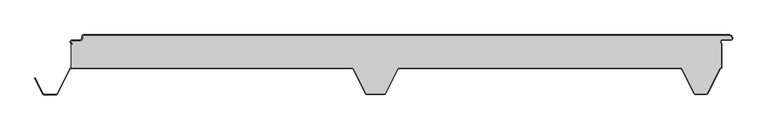
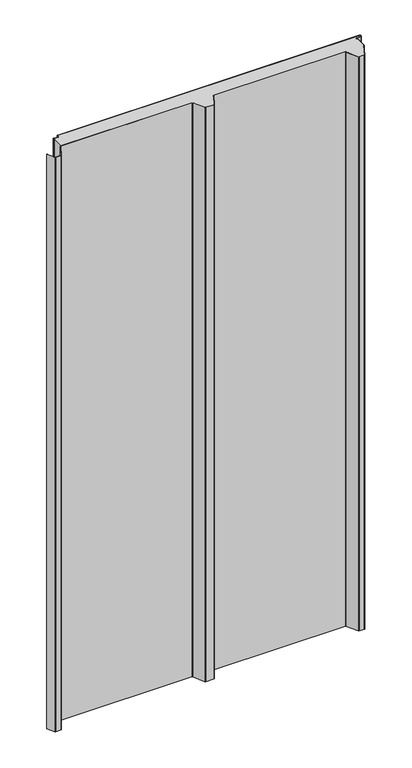
"""IFC4 building model written with IfcOpenShell, lengths in millimetres: proxy geometry."""

from ifc_helpers import new_model, si_unit, point, frame_2d, origin, origin_with_axes, place, context, project, spatial, polyline, circle_curve, trimmed, segment, composite_curve, outline, extrude, source, transform, mapped, element, save


def generic_models_4d809f44(model_context):
    return source(origin(), model_context, "Body", "SweptSolid", [
        extrude(outline(composite_curve([segment(polyline([(548.7649646, -5.5), (547.9649646, -5.5)]), True, "CONTINUOUS"), segment(trimmed(circle_curve(frame_2d((543.2649646, -5.5)), 4.7), [point((547.9649646, -5.5))], [point((543.2649646, -0.8))], True, "CARTESIAN"), True, "CONTINUOUS"), segment(polyline([(543.2649646, -0.8), (-448.7436881, -0.8)]), True, "CONTINUOUS"), segment(trimmed(circle_curve(frame_2d((-448.7436881, -2.5)), 1.7), [point((-448.7436881, -0.8))], [point((-450.4436881, -2.5))], True, "CARTESIAN"), True, "CONTINUOUS"), segment(polyline([(-450.4436881, -2.5), (-450.4436881, -5.5)]), True, "CONTINUOUS"), segment(trimmed(circle_curve(frame_2d((-453.7436881, -5.5)), 3.3), [point((-450.4436881, -5.5))], [point((-453.7436881, -8.8))], False, "CARTESIAN"), True, "CONTINUOUS"), segment(polyline([(-453.7436881, -8.8), (-466.2436881, -8.8)]), True, "CONTINUOUS"), segment(trimmed(circle_curve(frame_2d((-466.2436881, -11.0)), 2.2), [point((-466.2436881, -8.8))], [point((-466.2436881, -13.2))], True, "CARTESIAN"), True, "CONTINUOUS"), segment(polyline([(-466.2436881, -13.2), (-466.2436881, -14.0)]), True, "CONTINUOUS"), segment(trimmed(circle_curve(frame_2d((-466.2436881, -11.0)), 3.0), [point((-466.2436881, -14.0))], [point((-466.2436881, -8.0))], False, "CARTESIAN"), True, "CONTINUOUS"), segment(polyline([(-466.2436881, -8.0), (-453.7436881, -8.0)]), True, "CONTINUOUS"), segment(trimmed(circle_curve(frame_2d((-453.7436881, -5.5)), 2.5), [point((-453.7436881, -8.0))], [point((-451.2436881, -5.5))], True, "CARTESIAN"), True, "CONTINUOUS"), segment(polyline([(-451.2436881, -5.5), (-451.2436881, -2.5)]), True, "CONTINUOUS"), segment(trimmed(circle_curve(frame_2d((-448.7436881, -2.5)), 2.5), [point((-451.2436881, -2.5))], [point((-448.7436881, 0.0))], False, "CARTESIAN"), True, "CONTINUOUS"), segment(polyline([(-448.7436881, 0.0), (543.2649646, 0.0)]), True, "CONTINUOUS"), segment(trimmed(circle_curve(frame_2d((543.2649646, -5.5)), 5.5), [point((543.2649646, 0.0))], [point((548.7649646, -5.5))], False, "CARTESIAN"), True, "CONTINUOUS")], self_intersect=False)), origin_with_axes(), (0.0, 0.0, 1.0), 2000.0),
        extrude(outline(composite_curve([segment(trimmed(circle_curve(frame_2d((-466.2436881, -11.0)), 2.2), [point((-466.2436881, -13.2))], [point((-466.2436881, -8.8))], False, "CARTESIAN"), True, "CONTINUOUS"), segment(polyline([(-466.2436881, -8.8), (-453.7436881, -8.8)]), True, "CONTINUOUS"), segment(trimmed(circle_curve(frame_2d((-453.7436881, -5.5)), 3.3), [point((-453.7436881, -8.8))], [point((-450.4436881, -5.5))], True, "CARTESIAN"), True, "CONTINUOUS"), segment(polyline([(-450.4436881, -5.5), (-450.4436881, -2.5)]), True, "CONTINUOUS"), segment(trimmed(circle_curve(frame_2d((-448.7436881, -2.5)), 1.7), [point((-450.4436881, -2.5))], [point((-448.7436881, -0.8))], False, "CARTESIAN"), True, "CONTINUOUS"), segment(polyline([(-448.7436881, -0.8), (543.2649646, -0.8)]), True, "CONTINUOUS"), segment(trimmed(circle_curve(frame_2d((543.2649646, -5.5)), 4.7), [point((543.2649646, -0.8))], [point((547.9649646, -5.5))], False, "CARTESIAN"), True, "CONTINUOUS"), segment(trimmed(circle_curve(frame_2d((546.2649646, -5.5)), 1.7), [point((547.9649646, -5.5))], [point((546.2649646, -7.2))], False, "CARTESIAN"), True, "CONTINUOUS"), segment(polyline([(546.2649646, -7.2), (533.7563119, -7.2)]), True, "CONTINUOUS"), segment(trimmed(circle_curve(frame_2d((533.7563119, -11.0)), 3.8), [point((533.7563119, -7.2))], [point((531.587308, -14.1201638))], True, "CARTESIAN"), True, "CONTINUOUS"), segment(polyline([(531.587308, -14.1201638), (531.587308, -50.2829331)]), True, "CONTINUOUS"), segment(trimmed(circle_curve(frame_2d((532.387308, -54.1)), 3.9), [point((531.587308, -50.2829331))], [point((528.8995986, -52.3547542))], True, "CARTESIAN"), True, "CONTINUOUS"), segment(polyline([(528.8995986, -52.3547542), (509.9186975, -90.2221572)]), True, "CONTINUOUS"), segment(trimmed(circle_curve(frame_2d((508.577726, -89.55)), 1.5), [point((509.9186975, -90.2221572))], [point((508.577726, -91.05))], False, "CARTESIAN"), True, "CONTINUOUS"), segment(polyline([(508.577726, -91.05), (491.4395777, -91.05)]), True, "CONTINUOUS"), segment(trimmed(circle_curve(frame_2d((491.4395777, -89.55)), 1.5), [point((491.4395777, -91.05))], [point((490.097602, -90.2201502))], False, "CARTESIAN"), True, "CONTINUOUS"), segment(polyline([(490.097602, -90.2201502), (471.3684498, -52.715023)]), True, "CONTINUOUS"), segment(trimmed(circle_curve(frame_2d((468.5950334, -54.1)), 3.1), [point((471.3684498, -52.715023))], [point((468.5950334, -51.0))], True, "CARTESIAN"), True, "CONTINUOUS"), segment(polyline([(468.5950334, -51.0), (36.4222721, -51.0)]), True, "CONTINUOUS"), segment(trimmed(circle_curve(frame_2d((36.4222721, -54.1)), 3.1), [point((36.4222721, -51.0))], [point((33.6488557, -52.715023))], True, "CARTESIAN"), True, "CONTINUOUS"), segment(polyline([(33.6488557, -52.715023), (14.9197036, -90.2201502)]), True, "CONTINUOUS"), segment(trimmed(circle_curve(frame_2d((13.5777279, -89.55)), 1.5), [point((14.9197036, -90.2201502))], [point((13.5777279, -91.05))], False, "CARTESIAN"), True, "CONTINUOUS"), segment(polyline([(13.5777279, -91.05), (-13.5777279, -91.05)]), True, "CONTINUOUS"), segment(trimmed(circle_curve(frame_2d((-13.5777279, -89.55)), 1.5), [point((-13.5777279, -91.05))], [point((-14.9197036, -90.2201502))], False, "CARTESIAN"), True, "CONTINUOUS"), segment(polyline([(-14.9197036, -90.2201502), (-33.6488557, -52.715023)]), True, "CONTINUOUS"), segment(trimmed(circle_curve(frame_2d((-36.4222721, -54.1)), 3.1), [point((-33.6488557, -52.715023))], [point((-36.4222721, -51.0))], True, "CARTESIAN"), True, "CONTINUOUS"), segment(polyline([(-36.4222721, -51.0), (-467.612692, -51.0), (-467.612692, -13.6694247)]), True, "CONTINUOUS"), segment(trimmed(circle_curve(frame_2d((-466.2436881, -11.0)), 3.0), [point((-467.612692, -13.6694247))], [point((-466.2436881, -14.0))], True, "CARTESIAN"), True, "CONTINUOUS"), segment(polyline([(-466.2436881, -14.0), (-466.2436881, -13.2)]), True, "CONTINUOUS")], self_intersect=False)), origin_with_axes(), (0.0, 0.0, 1.0), 2000.0),
        extrude(outline(composite_curve([segment(polyline([(-523.5365904, -66.7174495), (-522.82087, -66.3600361), (-510.4107041, -91.2113932)]), True, "CONTINUOUS"), segment(trimmed(circle_curve(frame_2d((-509.0687284, -90.541243)), 1.5), [point((-510.4107041, -91.2113932))], [point((-509.0687284, -92.041243))], True, "CARTESIAN"), True, "CONTINUOUS"), segment(polyline([(-509.0687284, -92.041243), (-490.9312716, -92.041243)]), True, "CONTINUOUS"), segment(trimmed(circle_curve(frame_2d((-490.9312716, -90.541243)), 1.5), [point((-490.9312716, -92.041243))], [point((-489.5890038, -91.210808))], True, "CARTESIAN"), True, "CONTINUOUS"), segment(polyline([(-489.5890038, -91.210808), (-470.3867121, -52.7162325)]), True, "CONTINUOUS"), segment(trimmed(circle_curve(frame_2d((-467.612692, -54.1)), 3.1), [point((-470.3867121, -52.7162325))], [point((-467.612692, -51.0))], False, "CARTESIAN"), True, "CONTINUOUS"), segment(polyline([(-467.612692, -51.0), (-36.4222721, -51.0)]), True, "CONTINUOUS"), segment(trimmed(circle_curve(frame_2d((-36.4222721, -54.1)), 3.1), [point((-36.4222721, -51.0))], [point((-33.6488557, -52.715023))], False, "CARTESIAN"), True, "CONTINUOUS"), segment(polyline([(-33.6488557, -52.715023), (-14.9197036, -90.2201502)]), True, "CONTINUOUS"), segment(trimmed(circle_curve(frame_2d((-13.5777279, -89.55)), 1.5), [point((-14.9197036, -90.2201502))], [point((-13.5777279, -91.05))], True, "CARTESIAN"), True, "CONTINUOUS"), segment(polyline([(-13.5777279, -91.05), (13.5777279, -91.05)]), True, "CONTINUOUS"), segment(trimmed(circle_curve(frame_2d((13.5777279, -89.55)), 1.5), [point((13.5777279, -91.05))], [point((14.9197036, -90.2201502))], True, "CARTESIAN"), True, "CONTINUOUS"), segment(polyline([(14.9197036, -90.2201502), (33.6488557, -52.715023)]), True, "CONTINUOUS"), segment(trimmed(circle_curve(frame_2d((36.4222721, -54.1)), 3.1), [point((33.6488557, -52.715023))], [point((36.4222721, -51.0))], False, "CARTESIAN"), True, "CONTINUOUS"), segment(polyline([(36.4222721, -51.0), (468.5950334, -51.0)]), True, "CONTINUOUS"), segment(trimmed(circle_curve(frame_2d((468.5950334, -54.1)), 3.1), [point((468.5950334, -51.0))], [point((471.3684498, -52.715023))], False, "CARTESIAN"), True, "CONTINUOUS"), segment(polyline([(471.3684498, -52.715023), (490.097602, -90.2201502)]), True, "CONTINUOUS"), segment(trimmed(circle_curve(frame_2d((491.4395777, -89.55)), 1.5), [point((490.097602, -90.2201502))], [point((491.4395777, -91.05))], True, "CARTESIAN"), True, "CONTINUOUS"), segment(polyline([(491.4395777, -91.05), (508.577725, -91.05)]), True, "CONTINUOUS"), segment(trimmed(circle_curve(frame_2d((508.577725, -89.55)), 1.5), [point((508.577725, -91.05))], [point((509.9186965, -90.2221572))], True, "CARTESIAN"), True, "CONTINUOUS"), segment(polyline([(509.9186965, -90.2221572), (528.900782, -52.3523912)]), True, "CONTINUOUS"), segment(trimmed(circle_curve(frame_2d((532.387308, -54.1)), 3.9), [point((528.900782, -52.3523912))], [point((531.587308, -50.2829331))], False, "CARTESIAN"), True, "CONTINUOUS"), segment(polyline([(531.587308, -50.2829331), (531.587308, -14.1201638)]), True, "CONTINUOUS"), segment(trimmed(circle_curve(frame_2d((533.7563119, -11.0)), 3.8), [point((531.587308, -14.1201638))], [point((533.7563119, -7.2))], False, "CARTESIAN"), True, "CONTINUOUS"), segment(polyline([(533.7563119, -7.2), (546.2649646, -7.2)]), True, "CONTINUOUS"), segment(trimmed(circle_curve(frame_2d((546.2649646, -5.5)), 1.7), [point((546.2649646, -7.2))], [point((547.9649646, -5.5))], True, "CARTESIAN"), True, "CONTINUOUS"), segment(polyline([(547.9649646, -5.5), (548.7649646, -5.5)]), True, "CONTINUOUS"), segment(trimmed(circle_curve(frame_2d((546.2649646, -5.5)), 2.5), [point((548.7649646, -5.5))], [point((546.2649646, -8.0))], False, "CARTESIAN"), True, "CONTINUOUS"), segment(polyline([(546.2649646, -8.0), (533.7563119, -8.0)]), True, "CONTINUOUS"), segment(trimmed(circle_curve(frame_2d((533.7563119, -11.0)), 3.0), [point((533.7563119, -8.0))], [point((532.387308, -13.6694247))], True, "CARTESIAN"), True, "CONTINUOUS"), segment(polyline([(532.387308, -13.6694247), (532.387308, -51.0)]), True, "CONTINUOUS"), segment(trimmed(circle_curve(frame_2d((532.387308, -54.1)), 3.1), [point((532.387308, -51.0))], [point((529.6159668, -52.7108751))], True, "CARTESIAN"), True, "CONTINUOUS"), segment(polyline([(529.6159668, -52.7108751), (510.6338814, -90.5806411)]), True, "CONTINUOUS"), segment(trimmed(circle_curve(frame_2d((508.577725, -89.55)), 2.3), [point((510.6338814, -90.5806411))], [point((508.577725, -91.85))], False, "CARTESIAN"), True, "CONTINUOUS"), segment(polyline([(508.577725, -91.85), (491.4395777, -91.85)]), True, "CONTINUOUS"), segment(trimmed(circle_curve(frame_2d((491.4395777, -89.55)), 2.3), [point((491.4395777, -91.85))], [point((489.3818816, -90.5775636))], False, "CARTESIAN"), True, "CONTINUOUS"), segment(polyline([(489.3818816, -90.5775636), (470.6527295, -53.0724364)]), True, "CONTINUOUS"), segment(trimmed(circle_curve(frame_2d((468.5950334, -54.1)), 2.3), [point((470.6527295, -53.0724364))], [point((468.5950334, -51.8))], True, "CARTESIAN"), True, "CONTINUOUS"), segment(polyline([(468.5950334, -51.8), (36.4222721, -51.8)]), True, "CONTINUOUS"), segment(trimmed(circle_curve(frame_2d((36.4222721, -54.1)), 2.3), [point((36.4222721, -51.8))], [point((34.3645761, -53.0724364))], True, "CARTESIAN"), True, "CONTINUOUS"), segment(polyline([(34.3645761, -53.0724364), (15.6354239, -90.5775636)]), True, "CONTINUOUS"), segment(trimmed(circle_curve(frame_2d((13.5777279, -89.55)), 2.3), [point((15.6354239, -90.5775636))], [point((13.5777279, -91.85))], False, "CARTESIAN"), True, "CONTINUOUS"), segment(polyline([(13.5777279, -91.85), (-13.5777279, -91.85)]), True, "CONTINUOUS"), segment(trimmed(circle_curve(frame_2d((-13.5777279, -89.55)), 2.3), [point((-13.5777279, -91.85))], [point((-15.6354239, -90.5775636))], False, "CARTESIAN"), True, "CONTINUOUS"), segment(polyline([(-15.6354239, -90.5775636), (-34.3645761, -53.0724364)]), True, "CONTINUOUS"), segment(trimmed(circle_curve(frame_2d((-36.4222721, -54.1)), 2.3), [point((-34.3645761, -53.0724364))], [point((-36.4222721, -51.8))], True, "CARTESIAN"), True, "CONTINUOUS"), segment(polyline([(-36.4222721, -51.8), (-467.612692, -51.8)]), True, "CONTINUOUS"), segment(trimmed(circle_curve(frame_2d((-467.612692, -54.1)), 2.3), [point((-467.612692, -51.8))], [point((-469.6708359, -53.0733338))], True, "CARTESIAN"), True, "CONTINUOUS"), segment(polyline([(-469.6708359, -53.0733338), (-488.8731276, -91.5679093)]), True, "CONTINUOUS"), segment(trimmed(circle_curve(frame_2d((-490.9312716, -90.541243)), 2.3), [point((-488.8731276, -91.5679093))], [point((-490.9312716, -92.841243))], False, "CARTESIAN"), True, "CONTINUOUS"), segment(polyline([(-490.9312716, -92.841243), (-509.0687284, -92.841243)]), True, "CONTINUOUS"), segment(trimmed(circle_curve(frame_2d((-509.0687284, -90.541243)), 2.3), [point((-509.0687284, -92.841243))], [point((-511.1264245, -91.5688066))], False, "CARTESIAN"), True, "CONTINUOUS"), segment(polyline([(-511.1264245, -91.5688066), (-523.5365904, -66.7174495)]), True, "CONTINUOUS")], self_intersect=False)), origin_with_axes(), (0.0, 0.0, 1.0), 2000.0),
    ])


if __name__ == "__main__":
    model = new_model("IFC4")
    model_context = context("Model", 3, world=origin())
    ifc_project = project(units=[si_unit("LENGTHUNIT", "METRE", prefix="MILLI")], contexts=[model_context])
    site = spatial("IfcSite", under=ifc_project)
    building = spatial("IfcBuilding", under=site)
    placement = place(None, origin())
    generic_models_shape = generic_models_4d809f44(model_context)
    element("IfcBuildingElementProxy", 1, Name="Generic Models", at=placement, inside=building, context=model_context, shape_type="MappedRepresentation", body=[
        mapped(generic_models_shape, transform((0.0, 0.0, 0.0), x_axis=(1.0, 0.0, 0.0), y_axis=(0.0, 1.0, 0.0), z_axis=(0.0, 0.0, 1.0))),
    ])
    save(model, "model.ifc")
